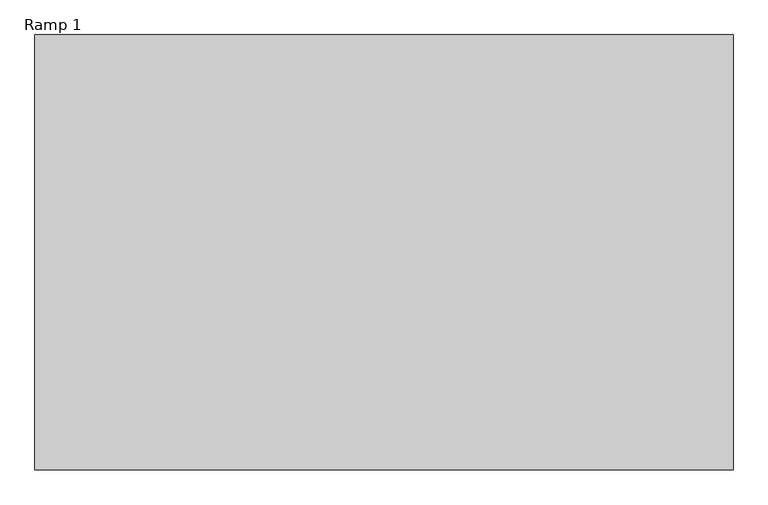
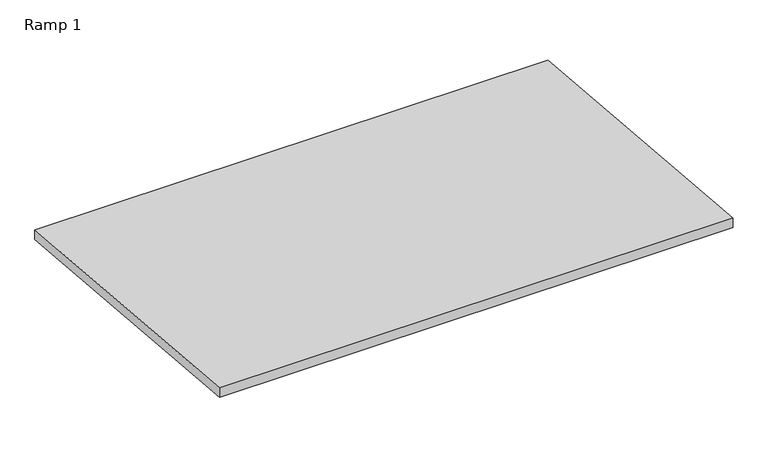
"""IFC4 building model written with IfcOpenShell, lengths in millimetres: ramp geometry, Ramp 1."""

from ifc_helpers import new_model, si_unit, frame, origin, place, context, project, spatial, polyline, outline, extrude, source, transform, mapped, element, save


def ramp_1_da6a4912(model_context):
    return source(origin(), model_context, "Body", "SweptSolid", [
        extrude(outline(polyline([(294477.3980843, 0.0), (296915.7980843, -203.2), (296915.7980843, -279.6641256), (294477.3980843, -76.4641256), (294477.3980843, 0.0)])), frame((241851.4557747, 0.0, 0.0), z_axis=(1.0, 0.0, 0.0), x_axis=(0.0, 1.0, 0.0)), (0.0, 0.0, 1.0), 3911.6),
    ])


if __name__ == "__main__":
    model = new_model("IFC4")
    model_context = context("Model", 3, world=origin())
    ifc_project = project(units=[si_unit("LENGTHUNIT", "METRE", prefix="MILLI")], contexts=[model_context])
    site = spatial("IfcSite", under=ifc_project)
    building = spatial("IfcBuilding", under=site)
    placement = place(None, origin())
    ramp_1_shape = ramp_1_da6a4912(model_context)
    element("IfcRamp", 1, ObjectType="Ramp 1", at=placement, inside=building, context=model_context, shape_type="MappedRepresentation", body=[
        mapped(ramp_1_shape, transform((0.0, 0.0, 0.0), x_axis=(1.0, 0.0, 0.0), y_axis=(0.0, 1.0, 0.0), z_axis=(0.0, 0.0, 1.0))),
    ])
    save(model, "model.ifc")
